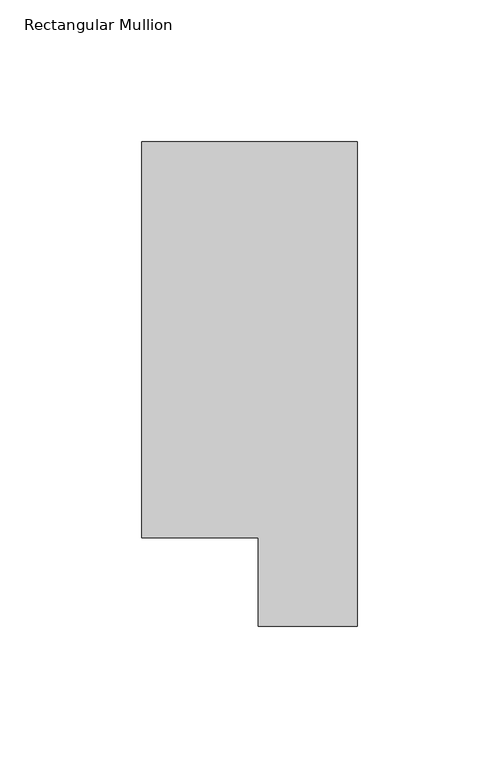
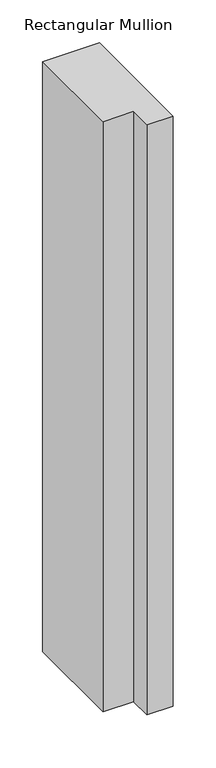
"""IFC4 building model written with IfcOpenShell, lengths in millimetres: member geometry, Rectangular Mullion."""

from ifc_helpers import new_model, si_unit, frame, origin, place, context, project, spatial, polyline, outline, extrude, source, transform, mapped, element, save


def rectangular_mullion_66737855(model_context):
    return source(origin(), model_context, "Body", "SweptSolid", [
        extrude(outline(polyline([(0.0, 190.7881313), (0.0, 19.5667313), (-34.9123, 19.5667313), (-34.9123, 50.820278), (-76.2, 50.820278), (-76.2, 190.7881313), (0.0, 190.7881313)])), frame((0.0, 0.0, -838.1999992), z_axis=(0.0, 0.0, 1.0), x_axis=(1.0, 0.0, 0.0)), (0.0, 0.0, 1.0), 838.1999992),
    ])


if __name__ == "__main__":
    model = new_model("IFC4")
    model_context = context("Model", 3, world=origin())
    ifc_project = project(units=[si_unit("LENGTHUNIT", "METRE", prefix="MILLI")], contexts=[model_context])
    site = spatial("IfcSite", under=ifc_project)
    building = spatial("IfcBuilding", under=site)
    placement = place(None, origin())
    rectangular_mullion_shape = rectangular_mullion_66737855(model_context)
    element("IfcMember", 1, ObjectType="Rectangular Mullion", at=placement, inside=building, context=model_context, shape_type="MappedRepresentation", body=[
        mapped(rectangular_mullion_shape, transform((0.0, 0.0, 0.0), x_axis=(1.0, 0.0, 0.0), y_axis=(0.0, 1.0, 0.0), z_axis=(0.0, 0.0, 1.0))),
    ])
    save(model, "model.ifc")
